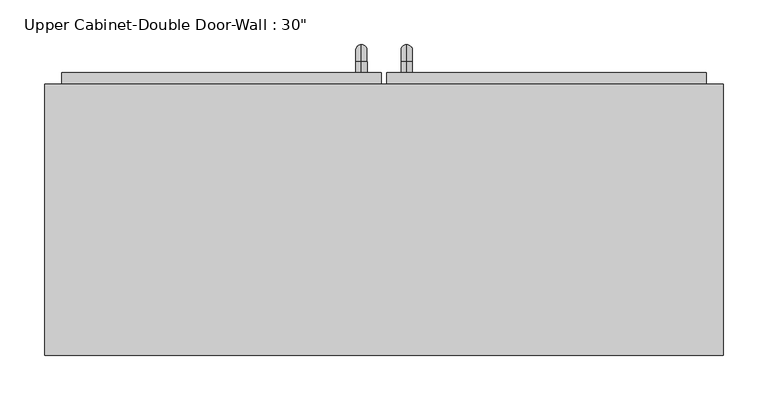
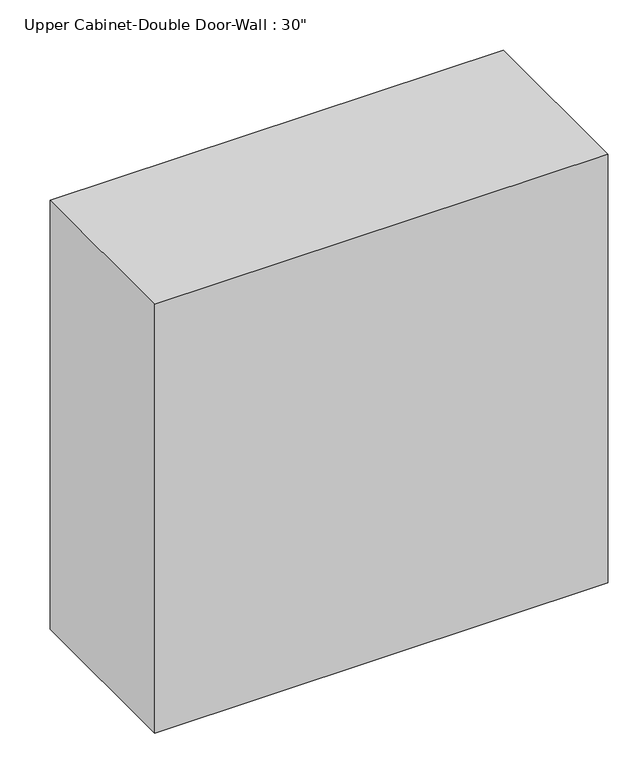
"""IFC4 building model written with IfcOpenShell, lengths in millimetres: furniture geometry."""

from ifc_helpers import new_model, si_unit, point, frame, origin, place, context, project, spatial, polyline, circle_curve, ellipse_curve, trimmed, outline, extrude, faceted_brep, source, transform, mapped, element, save
from ifc_brep_helpers import plane_surface, cylinder_surface, revolved_surface, advanced_brep


def furniture_db1d6a5d(model_context):
    return source(origin(), model_context, "Body", "SolidModel", [
        faceted_brep([(-351.2288372, 85.725, 2133.6), (-351.2288372, 85.725, 1371.6), (410.7711628, 85.725, 1371.6), (410.7711628, 85.725, 2133.6), (-351.2288372, 390.525, 2133.6), (410.7711628, 390.525, 2133.6), (410.7711628, 390.525, 1371.6), (-351.2288372, 390.525, 1371.6), (-332.1788372, 390.525, 2114.55), (-332.1788372, 390.525, 1390.65), (391.7211628, 390.525, 1390.65), (391.7211628, 390.525, 2114.55), (391.7211628, 104.775, 2114.55), (-332.1788372, 104.775, 2114.55), (391.7211628, 104.775, 1390.65), (-332.1788372, 104.775, 1390.65)], [[[0, 1, 2, 3]], [[4, 5, 6, 7], [8, 9, 10, 11]], [[1, 0, 4, 7]], [[2, 1, 7, 6]], [[3, 2, 6, 5]], [[0, 3, 5, 4]], [[8, 11, 12, 13]], [[11, 10, 14, 12]], [[10, 9, 15, 14]], [[9, 8, 13, 15]], [[13, 12, 14, 15]]]),
        advanced_brep(
        [(55.1711628, 403.225, 1517.65), (55.1711628, 403.225, 1530.35), (55.1711628, 415.925, 1517.65), (55.1711628, 415.925, 1530.35), (55.1711628, 434.975, 1511.3), (55.1711628, 422.275, 1511.3), (55.1711628, 422.275, 1435.1), (55.1711628, 434.975, 1435.1), (55.1711628, 415.925, 1416.05), (55.1711628, 415.925, 1428.75), (55.1711628, 403.225, 1428.75), (55.1711628, 403.225, 1416.05)],
        [
            (0, 1, circle_curve(frame((55.1711628, 403.225, 1524.0), z_axis=(0.0, -1.0, 0.0), x_axis=(0.0, 0.0, -1.0)), 6.35)),
            (1, 0, circle_curve(frame((55.1711628, 403.225, 1524.0), z_axis=(0.0, -1.0, 0.0), x_axis=(0.0, 0.0, -1.0)), 6.35)),
            (0, 2),
            (2, 3, circle_curve(frame((55.1711628, 415.925, 1524.0), z_axis=(0.0, -1.0, 0.0), x_axis=(0.0, 0.0, -1.0)), 6.35)),
            (3, 1),
            (3, 2, circle_curve(frame((55.1711628, 415.925, 1524.0), z_axis=(0.0, -1.0, 0.0), x_axis=(0.0, 0.0, -1.0)), 6.35)),
            (4, 3, circle_curve(frame((55.1711628, 415.925, 1511.3), z_axis=(1.0, 0.0, 0.0), x_axis=(0.0, 0.0, 1.0)), 19.05)),
            (2, 5, circle_curve(frame((55.1711628, 415.925, 1511.3), z_axis=(-1.0, 0.0, 0.0), x_axis=(0.0, 0.0, 1.0)), 6.35)),
            (5, 4, circle_curve(frame((55.1711628, 428.625, 1511.3), z_axis=(0.0, 0.0, 1.0), x_axis=(0.0, -1.0, 0.0)), 6.35)),
            (4, 5, circle_curve(frame((55.1711628, 428.625, 1511.3), z_axis=(0.0, 0.0, 1.0), x_axis=(0.0, -1.0, 0.0)), 6.35)),
            (5, 6),
            (6, 7, circle_curve(frame((55.1711628, 428.625, 1435.1), z_axis=(0.0, 0.0, 1.0), x_axis=(0.0, -1.0, 0.0)), 6.35)),
            (7, 4),
            (7, 6, circle_curve(frame((55.1711628, 428.625, 1435.1), z_axis=(0.0, 0.0, 1.0), x_axis=(0.0, -1.0, 0.0)), 6.35)),
            (8, 7, circle_curve(frame((55.1711628, 415.925, 1435.1), z_axis=(1.0, 0.0, 0.0), x_axis=(0.0, 1.0, 0.0)), 19.05)),
            (6, 9, circle_curve(frame((55.1711628, 415.925, 1435.1), z_axis=(-1.0, 0.0, 0.0), x_axis=(0.0, 1.0, 0.0)), 6.35)),
            (9, 8, circle_curve(frame((55.1711628, 415.925, 1422.4), z_axis=(0.0, 1.0, 0.0), x_axis=(0.0, 0.0, 1.0)), 6.35)),
            (8, 9, circle_curve(frame((55.1711628, 415.925, 1422.4), z_axis=(0.0, 1.0, 0.0), x_axis=(0.0, 0.0, 1.0)), 6.35)),
            (10, 11, circle_curve(frame((55.1711628, 403.225, 1422.4), z_axis=(0.0, -1.0, 0.0), x_axis=(0.0, 0.0, 1.0)), 6.35)),
            (11, 10, circle_curve(frame((55.1711628, 403.225, 1422.4), z_axis=(0.0, -1.0, 0.0), x_axis=(0.0, 0.0, 1.0)), 6.35)),
            (9, 10),
            (11, 8),
        ],
        [
            plane_surface(frame((48.8211628, 403.225, 1524.0), z_axis=(0.0, -1.0, 0.0), x_axis=(0.0, 0.0, 1.0))),
            cylinder_surface(frame((55.1711628, 403.225, 1524.0), z_axis=(0.0, -1.0, 0.0), x_axis=(0.0, 0.0, -1.0)), 6.35),
            revolved_surface(trimmed(ellipse_curve(frame((55.1711628, 415.925, 1524.0), z_axis=(0.0, -1.0, 0.0), x_axis=(0.0, 0.0, -1.0)), 6.35, 6.35), [point((55.1711628, 415.925, 1517.65))], [point((55.1711628, 415.925, 1530.35))], True, "CARTESIAN"), (55.1711628, 415.925, 1511.3), (-1.0, 0.0, 0.0)),
            revolved_surface(trimmed(ellipse_curve(frame((55.1711628, 415.925, 1524.0), z_axis=(0.0, -1.0, 0.0), x_axis=(0.0, 0.0, -1.0)), 6.35, 6.35), [point((55.1711628, 415.925, 1530.35))], [point((55.1711628, 415.925, 1517.65))], True, "CARTESIAN"), (55.1711628, 415.925, 1511.3), (-1.0, 0.0, 0.0)),
            cylinder_surface(frame((55.1711628, 428.625, 1511.3), z_axis=(0.0, 0.0, 1.0), x_axis=(0.0, -1.0, 0.0)), 6.35),
            revolved_surface(trimmed(ellipse_curve(frame((55.1711628, 428.625, 1435.1), z_axis=(0.0, 0.0, 1.0), x_axis=(0.0, -1.0, 0.0)), 6.35, 6.35), [point((55.1711628, 422.275, 1435.1))], [point((55.1711628, 434.975, 1435.1))], True, "CARTESIAN"), (55.1711628, 415.925, 1435.1), (-1.0, 0.0, 0.0)),
            revolved_surface(trimmed(ellipse_curve(frame((55.1711628, 428.625, 1435.1), z_axis=(0.0, 0.0, 1.0), x_axis=(0.0, -1.0, 0.0)), 6.35, 6.35), [point((55.1711628, 434.975, 1435.1))], [point((55.1711628, 422.275, 1435.1))], True, "CARTESIAN"), (55.1711628, 415.925, 1435.1), (-1.0, 0.0, 0.0)),
            plane_surface(frame((48.8211628, 403.225, 1422.4), z_axis=(0.0, -1.0, 0.0), x_axis=(0.0, 0.0, -1.0))),
            cylinder_surface(frame((55.1711628, 415.925, 1422.4), z_axis=(0.0, 1.0, 0.0), x_axis=(0.0, 0.0, 1.0)), 6.35),
        ],
        [
            (0, [[1, 2]]),
            (1, [[-1, 3, 4, 5]]),
            (1, [[-2, -5, 6, -3]]),
            (2, [[7, -4, 8, 9]]),
            (3, [[-8, -6, -7, 10]]),
            (4, [[-9, 11, 12, 13]]),
            (4, [[-10, -13, 14, -11]]),
            (5, [[15, -12, 16, 17]]),
            (6, [[-16, -14, -15, 18]]),
            (7, [[19, 20]]),
            (8, [[-17, 21, -20, 22]]),
            (8, [[-18, -22, -19, -21]]),
        ],
    ),
        advanced_brep(
        [(4.3711628, 403.225, 1517.65), (4.3711628, 403.225, 1530.35), (4.3711628, 415.925, 1517.65), (4.3711628, 415.925, 1530.35), (4.3711628, 434.975, 1511.3), (4.3711628, 422.275, 1511.3), (4.3711628, 422.275, 1435.1), (4.3711628, 434.975, 1435.1), (4.3711628, 415.925, 1416.05), (4.3711628, 415.925, 1428.75), (4.3711628, 403.225, 1428.75), (4.3711628, 403.225, 1416.05)],
        [
            (0, 1, circle_curve(frame((4.3711628, 403.225, 1524.0), z_axis=(0.0, -1.0, 0.0), x_axis=(0.0, 0.0, 1.0)), 6.35)),
            (1, 0, circle_curve(frame((4.3711628, 403.225, 1524.0), z_axis=(0.0, -1.0, 0.0), x_axis=(0.0, 0.0, 1.0)), 6.35)),
            (0, 2),
            (2, 3, circle_curve(frame((4.3711628, 415.925, 1524.0), z_axis=(0.0, -1.0, 0.0), x_axis=(0.0, 0.0, 1.0)), 6.35)),
            (3, 1),
            (3, 2, circle_curve(frame((4.3711628, 415.925, 1524.0), z_axis=(0.0, -1.0, 0.0), x_axis=(0.0, 0.0, 1.0)), 6.35)),
            (4, 3, circle_curve(frame((4.3711628, 415.925, 1511.3), z_axis=(1.0, 0.0, 0.0), x_axis=(0.0, 0.0, 1.0)), 19.05)),
            (2, 5, circle_curve(frame((4.3711628, 415.925, 1511.3), z_axis=(-1.0, 0.0, 0.0), x_axis=(0.0, 0.0, 1.0)), 6.35)),
            (5, 4, circle_curve(frame((4.3711628, 428.625, 1511.3), z_axis=(0.0, 0.0, 1.0), x_axis=(0.0, 1.0, 0.0)), 6.35)),
            (4, 5, circle_curve(frame((4.3711628, 428.625, 1511.3), z_axis=(0.0, 0.0, 1.0), x_axis=(0.0, 1.0, 0.0)), 6.35)),
            (5, 6),
            (6, 7, circle_curve(frame((4.3711628, 428.625, 1435.1), z_axis=(0.0, 0.0, 1.0), x_axis=(0.0, 1.0, 0.0)), 6.35)),
            (7, 4),
            (7, 6, circle_curve(frame((4.3711628, 428.625, 1435.1), z_axis=(0.0, 0.0, 1.0), x_axis=(0.0, 1.0, 0.0)), 6.35)),
            (8, 7, circle_curve(frame((4.3711628, 415.925, 1435.1), z_axis=(1.0, 0.0, 0.0), x_axis=(0.0, 1.0, 0.0)), 19.05)),
            (6, 9, circle_curve(frame((4.3711628, 415.925, 1435.1), z_axis=(-1.0, 0.0, 0.0), x_axis=(0.0, 1.0, 0.0)), 6.35)),
            (9, 8, circle_curve(frame((4.3711628, 415.925, 1422.4), z_axis=(0.0, 1.0, 0.0), x_axis=(0.0, 0.0, -1.0)), 6.35)),
            (8, 9, circle_curve(frame((4.3711628, 415.925, 1422.4), z_axis=(0.0, 1.0, 0.0), x_axis=(0.0, 0.0, -1.0)), 6.35)),
            (10, 11, circle_curve(frame((4.3711628, 403.225, 1422.4), z_axis=(0.0, -1.0, 0.0), x_axis=(0.0, 0.0, -1.0)), 6.35)),
            (11, 10, circle_curve(frame((4.3711628, 403.225, 1422.4), z_axis=(0.0, -1.0, 0.0), x_axis=(0.0, 0.0, -1.0)), 6.35)),
            (9, 10),
            (11, 8),
        ],
        [
            plane_surface(frame((-1.9788372, 403.225, 1524.0), z_axis=(0.0, -1.0, 0.0), x_axis=(0.0, 0.0, 1.0))),
            cylinder_surface(frame((4.3711628, 403.225, 1524.0), z_axis=(0.0, -1.0, 0.0), x_axis=(0.0, 0.0, 1.0)), 6.35),
            revolved_surface(trimmed(ellipse_curve(frame((4.3711628, 415.925, 1524.0), z_axis=(0.0, -1.0, 0.0), x_axis=(0.0, 0.0, 1.0)), 6.35, 6.35), [point((4.3711628, 415.925, 1517.65))], [point((4.3711628, 415.925, 1530.35))], True, "CARTESIAN"), (4.3711628, 415.925, 1511.3), (-1.0, 0.0, 0.0)),
            revolved_surface(trimmed(ellipse_curve(frame((4.3711628, 415.925, 1524.0), z_axis=(0.0, -1.0, 0.0), x_axis=(0.0, 0.0, 1.0)), 6.35, 6.35), [point((4.3711628, 415.925, 1530.35))], [point((4.3711628, 415.925, 1517.65))], True, "CARTESIAN"), (4.3711628, 415.925, 1511.3), (-1.0, 0.0, 0.0)),
            cylinder_surface(frame((4.3711628, 428.625, 1511.3), z_axis=(0.0, 0.0, 1.0), x_axis=(0.0, 1.0, 0.0)), 6.35),
            revolved_surface(trimmed(ellipse_curve(frame((4.3711628, 428.625, 1435.1), z_axis=(0.0, 0.0, 1.0), x_axis=(0.0, 1.0, 0.0)), 6.35, 6.35), [point((4.3711628, 422.275, 1435.1))], [point((4.3711628, 434.975, 1435.1))], True, "CARTESIAN"), (4.3711628, 415.925, 1435.1), (-1.0, 0.0, 0.0)),
            revolved_surface(trimmed(ellipse_curve(frame((4.3711628, 428.625, 1435.1), z_axis=(0.0, 0.0, 1.0), x_axis=(0.0, 1.0, 0.0)), 6.35, 6.35), [point((4.3711628, 434.975, 1435.1))], [point((4.3711628, 422.275, 1435.1))], True, "CARTESIAN"), (4.3711628, 415.925, 1435.1), (-1.0, 0.0, 0.0)),
            plane_surface(frame((-1.9788372, 403.225, 1422.4), z_axis=(0.0, -1.0, 0.0), x_axis=(0.0, 0.0, -1.0))),
            cylinder_surface(frame((4.3711628, 415.925, 1422.4), z_axis=(0.0, 1.0, 0.0), x_axis=(0.0, 0.0, -1.0)), 6.35),
        ],
        [
            (0, [[1, 2]]),
            (1, [[-1, 3, 4, 5]]),
            (1, [[-2, -5, 6, -3]]),
            (2, [[7, -4, 8, 9]]),
            (3, [[-8, -6, -7, 10]]),
            (4, [[-9, 11, 12, 13]]),
            (4, [[-10, -13, 14, -11]]),
            (5, [[15, -12, 16, 17]]),
            (6, [[-16, -14, -15, 18]]),
            (7, [[19, 20]]),
            (8, [[-17, 21, -20, 22]]),
            (8, [[-18, -22, -19, -21]]),
        ],
    ),
        extrude(outline(polyline([(32.9461628, 403.225), (391.7211628, 403.225), (391.7211628, 371.475), (32.9461628, 371.475), (32.9461628, 403.225)])), frame((0.0, 0.0, 1390.65), z_axis=(0.0, 0.0, 1.0), x_axis=(1.0, 0.0, 0.0)), (0.0, 0.0, 1.0), 723.9),
        extrude(outline(polyline([(-332.1788372, 403.225), (26.5961628, 403.225), (26.5961628, 371.475), (-332.1788372, 371.475), (-332.1788372, 403.225)])), frame((0.0, 0.0, 1390.65), z_axis=(0.0, 0.0, 1.0), x_axis=(1.0, 0.0, 0.0)), (0.0, 0.0, 1.0), 723.9),
    ])


if __name__ == "__main__":
    model = new_model("IFC4")
    model_context = context("Model", 3, world=origin())
    ifc_project = project(units=[si_unit("LENGTHUNIT", "METRE", prefix="MILLI")], contexts=[model_context])
    site = spatial("IfcSite", under=ifc_project)
    building = spatial("IfcBuilding", under=site)
    placement = place(None, origin())
    furniture_shape = furniture_db1d6a5d(model_context)
    element("IfcFurniture", 1, ObjectType="Upper Cabinet-Double Door-Wall : 30\"", at=placement, inside=building, context=model_context, shape_type="MappedRepresentation", body=[
        mapped(furniture_shape, transform((0.0, 0.0, 0.0), x_axis=(1.0, 0.0, 0.0), y_axis=(0.0, 1.0, 0.0), z_axis=(0.0, 0.0, 1.0))),
    ])
    save(model, "model.ifc")
